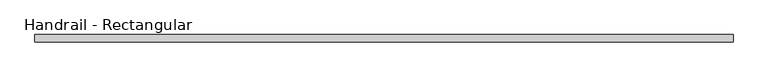
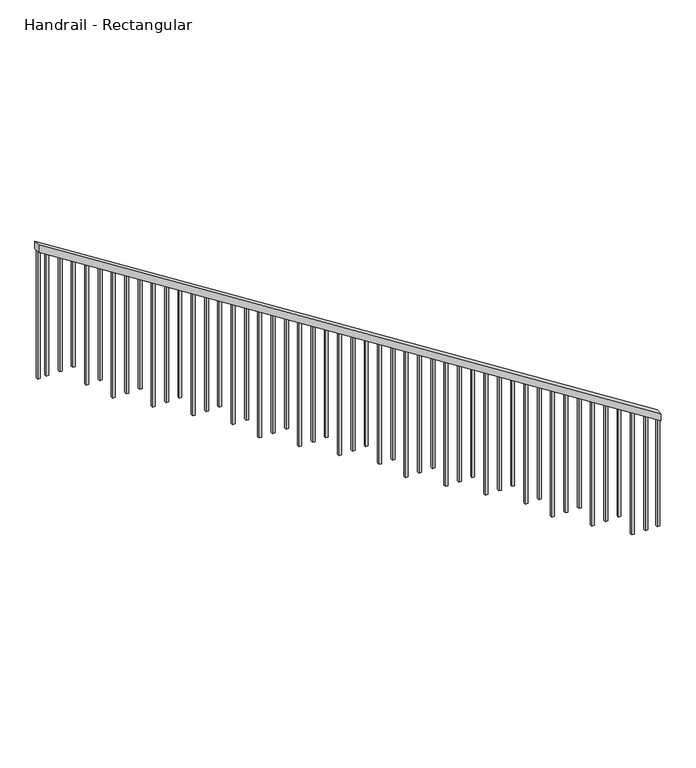
"""IFC4 building model written with IfcOpenShell, lengths in millimetres: railing geometry, Handrail - Rectangular."""

from ifc_helpers import new_model, si_unit, frame, origin, place, context, project, spatial, polyline, outline, extrude, source, transform, mapped, element, save


def handrail_rectangular_e43a0a2b(model_context):
    return source(origin(), model_context, "Body", "SweptSolid", [
        extrude(outline(polyline([(1031.986276, 1914.8580564), (1092.2, 1914.8580564), (4114.8, -2834.9419436), (4054.586276, -2834.9419436), (1031.986276, 1914.8580564)])), frame((0.0, -5078.3991522, 0.0), z_axis=(0.0, 1.0, 0.0), x_axis=(0.0, 0.0, 1.0)), (0.0, 0.0, 1.0), 50.8),
        extrude(outline(polyline([(4012.1567305, -2768.2669436), (3022.6, -2768.2669436), (3022.6, -2749.2169436), (4000.0340032, -2749.2169436), (4012.1567305, -2768.2669436)])), frame((0.0, -5062.5241522, 0.0), z_axis=(0.0, 1.0, 0.0), x_axis=(0.0, 0.0, 1.0)), (0.0, 0.0, 1.0), 19.05),
        extrude(outline(polyline([(3947.5021851, -2666.6669436), (3022.6, -2666.6669436), (3022.6, -2647.6169436), (3935.3794578, -2647.6169436), (3947.5021851, -2666.6669436)])), frame((0.0, -5062.5241522, 0.0), z_axis=(0.0, 1.0, 0.0), x_axis=(0.0, 0.0, 1.0)), (0.0, 0.0, 1.0), 19.05),
        extrude(outline(polyline([(3882.8476396, -2565.0669436), (3022.6, -2565.0669436), (3022.6, -2546.0169436), (3870.7249123, -2546.0169436), (3882.8476396, -2565.0669436)])), frame((0.0, -5062.5241522, 0.0), z_axis=(0.0, 1.0, 0.0), x_axis=(0.0, 0.0, 1.0)), (0.0, 0.0, 1.0), 19.05),
        extrude(outline(polyline([(3818.1930941, -2463.4669436), (2844.8, -2463.4669436), (2844.8, -2444.4169436), (3806.0703669, -2444.4169436), (3818.1930941, -2463.4669436)])), frame((0.0, -5062.5241522, 0.0), z_axis=(0.0, 1.0, 0.0), x_axis=(0.0, 0.0, 1.0)), (0.0, 0.0, 1.0), 19.05),
        extrude(outline(polyline([(3753.5385487, -2361.8669436), (2844.8, -2361.8669436), (2844.8, -2342.8169436), (3741.4158214, -2342.8169436), (3753.5385487, -2361.8669436)])), frame((0.0, -5062.5241522, 0.0), z_axis=(0.0, 1.0, 0.0), x_axis=(0.0, 0.0, 1.0)), (0.0, 0.0, 1.0), 19.05),
        extrude(outline(polyline([(3688.8840032, -2260.2669436), (2667.0, -2260.2669436), (2667.0, -2241.2169436), (3676.761276, -2241.2169436), (3688.8840032, -2260.2669436)])), frame((0.0, -5062.5241522, 0.0), z_axis=(0.0, 1.0, 0.0), x_axis=(0.0, 0.0, 1.0)), (0.0, 0.0, 1.0), 19.05),
        extrude(outline(polyline([(3624.2294578, -2158.6669436), (2667.0, -2158.6669436), (2667.0, -2139.6169436), (3612.1067305, -2139.6169436), (3624.2294578, -2158.6669436)])), frame((0.0, -5062.5241522, 0.0), z_axis=(0.0, 1.0, 0.0), x_axis=(0.0, 0.0, 1.0)), (0.0, 0.0, 1.0), 19.05),
        extrude(outline(polyline([(3559.5749123, -2057.0669436), (2667.0, -2057.0669436), (2667.0, -2038.0169436), (3547.4521851, -2038.0169436), (3559.5749123, -2057.0669436)])), frame((0.0, -5062.5241522, 0.0), z_axis=(0.0, 1.0, 0.0), x_axis=(0.0, 0.0, 1.0)), (0.0, 0.0, 1.0), 19.05),
        extrude(outline(polyline([(3494.9203669, -1955.4669436), (2489.2, -1955.4669436), (2489.2, -1936.4169436), (3482.7976396, -1936.4169436), (3494.9203669, -1955.4669436)])), frame((0.0, -5062.5241522, 0.0), z_axis=(0.0, 1.0, 0.0), x_axis=(0.0, 0.0, 1.0)), (0.0, 0.0, 1.0), 19.05),
        extrude(outline(polyline([(3430.2658214, -1853.8669436), (2489.2, -1853.8669436), (2489.2, -1834.8169436), (3418.1430941, -1834.8169436), (3430.2658214, -1853.8669436)])), frame((0.0, -5062.5241522, 0.0), z_axis=(0.0, 1.0, 0.0), x_axis=(0.0, 0.0, 1.0)), (0.0, 0.0, 1.0), 19.05),
        extrude(outline(polyline([(3365.611276, -1752.2669436), (2489.2, -1752.2669436), (2489.2, -1733.2169436), (3353.4885487, -1733.2169436), (3365.611276, -1752.2669436)])), frame((0.0, -5062.5241522, 0.0), z_axis=(0.0, 1.0, 0.0), x_axis=(0.0, 0.0, 1.0)), (0.0, 0.0, 1.0), 19.05),
        extrude(outline(polyline([(3300.9567305, -1650.6669436), (2311.4, -1650.6669436), (2311.4, -1631.6169436), (3288.8340032, -1631.6169436), (3300.9567305, -1650.6669436)])), frame((0.0, -5062.5241522, 0.0), z_axis=(0.0, 1.0, 0.0), x_axis=(0.0, 0.0, 1.0)), (0.0, 0.0, 1.0), 19.05),
        extrude(outline(polyline([(3236.3021851, -1549.0669436), (2311.4, -1549.0669436), (2311.4, -1530.0169436), (3224.1794578, -1530.0169436), (3236.3021851, -1549.0669436)])), frame((0.0, -5062.5241522, 0.0), z_axis=(0.0, 1.0, 0.0), x_axis=(0.0, 0.0, 1.0)), (0.0, 0.0, 1.0), 19.05),
        extrude(outline(polyline([(3171.6476396, -1447.4669436), (2311.4, -1447.4669436), (2311.4, -1428.4169436), (3159.5249123, -1428.4169436), (3171.6476396, -1447.4669436)])), frame((0.0, -5062.5241522, 0.0), z_axis=(0.0, 1.0, 0.0), x_axis=(0.0, 0.0, 1.0)), (0.0, 0.0, 1.0), 19.05),
        extrude(outline(polyline([(3106.9930941, -1345.8669436), (2133.6, -1345.8669436), (2133.6, -1326.8169436), (3094.8703669, -1326.8169436), (3106.9930941, -1345.8669436)])), frame((0.0, -5062.5241522, 0.0), z_axis=(0.0, 1.0, 0.0), x_axis=(0.0, 0.0, 1.0)), (0.0, 0.0, 1.0), 19.05),
        extrude(outline(polyline([(3042.3385487, -1244.2669436), (2133.6, -1244.2669436), (2133.6, -1225.2169436), (3030.2158214, -1225.2169436), (3042.3385487, -1244.2669436)])), frame((0.0, -5062.5241522, 0.0), z_axis=(0.0, 1.0, 0.0), x_axis=(0.0, 0.0, 1.0)), (0.0, 0.0, 1.0), 19.05),
        extrude(outline(polyline([(2977.6840032, -1142.6669436), (1955.8, -1142.6669436), (1955.8, -1123.6169436), (2965.561276, -1123.6169436), (2977.6840032, -1142.6669436)])), frame((0.0, -5062.5241522, 0.0), z_axis=(0.0, 1.0, 0.0), x_axis=(0.0, 0.0, 1.0)), (0.0, 0.0, 1.0), 19.05),
        extrude(outline(polyline([(2913.0294578, -1041.0669436), (1955.8, -1041.0669436), (1955.8, -1022.0169436), (2900.9067305, -1022.0169436), (2913.0294578, -1041.0669436)])), frame((0.0, -5062.5241522, 0.0), z_axis=(0.0, 1.0, 0.0), x_axis=(0.0, 0.0, 1.0)), (0.0, 0.0, 1.0), 19.05),
        extrude(outline(polyline([(2848.3749123, -939.4669436), (1955.8, -939.4669436), (1955.8, -920.4169436), (2836.2521851, -920.4169436), (2848.3749123, -939.4669436)])), frame((0.0, -5062.5241522, 0.0), z_axis=(0.0, 1.0, 0.0), x_axis=(0.0, 0.0, 1.0)), (0.0, 0.0, 1.0), 19.05),
        extrude(outline(polyline([(2783.7203669, -837.8669436), (1778.0, -837.8669436), (1778.0, -818.8169436), (2771.5976396, -818.8169436), (2783.7203669, -837.8669436)])), frame((0.0, -5062.5241522, 0.0), z_axis=(0.0, 1.0, 0.0), x_axis=(0.0, 0.0, 1.0)), (0.0, 0.0, 1.0), 19.05),
        extrude(outline(polyline([(2719.0658214, -736.2669436), (1778.0, -736.2669436), (1778.0, -717.2169436), (2706.9430941, -717.2169436), (2719.0658214, -736.2669436)])), frame((0.0, -5062.5241522, 0.0), z_axis=(0.0, 1.0, 0.0), x_axis=(0.0, 0.0, 1.0)), (0.0, 0.0, 1.0), 19.05),
        extrude(outline(polyline([(2654.411276, -634.6669436), (1778.0, -634.6669436), (1778.0, -615.6169436), (2642.2885487, -615.6169436), (2654.411276, -634.6669436)])), frame((0.0, -5062.5241522, 0.0), z_axis=(0.0, 1.0, 0.0), x_axis=(0.0, 0.0, 1.0)), (0.0, 0.0, 1.0), 19.05),
        extrude(outline(polyline([(2589.7567305, -533.0669436), (1600.2, -533.0669436), (1600.2, -514.0169436), (2577.6340032, -514.0169436), (2589.7567305, -533.0669436)])), frame((0.0, -5062.5241522, 0.0), z_axis=(0.0, 1.0, 0.0), x_axis=(0.0, 0.0, 1.0)), (0.0, 0.0, 1.0), 19.05),
        extrude(outline(polyline([(2525.1021851, -431.4669436), (1600.2, -431.4669436), (1600.2, -412.4169436), (2512.9794578, -412.4169436), (2525.1021851, -431.4669436)])), frame((0.0, -5062.5241522, 0.0), z_axis=(0.0, 1.0, 0.0), x_axis=(0.0, 0.0, 1.0)), (0.0, 0.0, 1.0), 19.05),
        extrude(outline(polyline([(2460.4476396, -329.8669436), (1600.2, -329.8669436), (1600.2, -310.8169436), (2448.3249123, -310.8169436), (2460.4476396, -329.8669436)])), frame((0.0, -5062.5241522, 0.0), z_axis=(0.0, 1.0, 0.0), x_axis=(0.0, 0.0, 1.0)), (0.0, 0.0, 1.0), 19.05),
        extrude(outline(polyline([(2395.7930941, -228.2669436), (1422.4, -228.2669436), (1422.4, -209.2169436), (2383.6703669, -209.2169436), (2395.7930941, -228.2669436)])), frame((0.0, -5062.5241522, 0.0), z_axis=(0.0, 1.0, 0.0), x_axis=(0.0, 0.0, 1.0)), (0.0, 0.0, 1.0), 19.05),
        extrude(outline(polyline([(2331.1385487, -126.6669436), (1422.4, -126.6669436), (1422.4, -107.6169436), (2319.0158214, -107.6169436), (2331.1385487, -126.6669436)])), frame((0.0, -5062.5241522, 0.0), z_axis=(0.0, 1.0, 0.0), x_axis=(0.0, 0.0, 1.0)), (0.0, 0.0, 1.0), 19.05),
        extrude(outline(polyline([(2266.4840032, -25.0669436), (1244.6, -25.0669436), (1244.6, -6.0169436), (2254.361276, -6.0169436), (2266.4840032, -25.0669436)])), frame((0.0, -5062.5241522, 0.0), z_axis=(0.0, 1.0, 0.0), x_axis=(0.0, 0.0, 1.0)), (0.0, 0.0, 1.0), 19.05),
        extrude(outline(polyline([(2201.8294578, 76.5330564), (1244.6, 76.5330564), (1244.6, 95.5830564), (2189.7067305, 95.5830564), (2201.8294578, 76.5330564)])), frame((0.0, -5062.5241522, 0.0), z_axis=(0.0, 1.0, 0.0), x_axis=(0.0, 0.0, 1.0)), (0.0, 0.0, 1.0), 19.05),
        extrude(outline(polyline([(2137.1749123, 178.1330564), (1244.6, 178.1330564), (1244.6, 197.1830564), (2125.0521851, 197.1830564), (2137.1749123, 178.1330564)])), frame((0.0, -5062.5241522, 0.0), z_axis=(0.0, 1.0, 0.0), x_axis=(0.0, 0.0, 1.0)), (0.0, 0.0, 1.0), 19.05),
        extrude(outline(polyline([(2072.5203669, 279.7330564), (1066.8, 279.7330564), (1066.8, 298.7830564), (2060.3976396, 298.7830564), (2072.5203669, 279.7330564)])), frame((0.0, -5062.5241522, 0.0), z_axis=(0.0, 1.0, 0.0), x_axis=(0.0, 0.0, 1.0)), (0.0, 0.0, 1.0), 19.05),
        extrude(outline(polyline([(2007.8658214, 381.3330564), (1066.8, 381.3330564), (1066.8, 400.3830564), (1995.7430941, 400.3830564), (2007.8658214, 381.3330564)])), frame((0.0, -5062.5241522, 0.0), z_axis=(0.0, 1.0, 0.0), x_axis=(0.0, 0.0, 1.0)), (0.0, 0.0, 1.0), 19.05),
        extrude(outline(polyline([(1943.211276, 482.9330564), (1066.8, 482.9330564), (1066.8, 501.9830564), (1931.0885487, 501.9830564), (1943.211276, 482.9330564)])), frame((0.0, -5062.5241522, 0.0), z_axis=(0.0, 1.0, 0.0), x_axis=(0.0, 0.0, 1.0)), (0.0, 0.0, 1.0), 19.05),
        extrude(outline(polyline([(1878.5567305, 584.5330564), (889.0, 584.5330564), (889.0, 603.5830564), (1866.4340032, 603.5830564), (1878.5567305, 584.5330564)])), frame((0.0, -5062.5241522, 0.0), z_axis=(0.0, 1.0, 0.0), x_axis=(0.0, 0.0, 1.0)), (0.0, 0.0, 1.0), 19.05),
        extrude(outline(polyline([(1813.9021851, 686.1330564), (889.0, 686.1330564), (889.0, 705.1830564), (1801.7794578, 705.1830564), (1813.9021851, 686.1330564)])), frame((0.0, -5062.5241522, 0.0), z_axis=(0.0, 1.0, 0.0), x_axis=(0.0, 0.0, 1.0)), (0.0, 0.0, 1.0), 19.05),
        extrude(outline(polyline([(1749.2476396, 787.7330564), (889.0, 787.7330564), (889.0, 806.7830564), (1737.1249123, 806.7830564), (1749.2476396, 787.7330564)])), frame((0.0, -5062.5241522, 0.0), z_axis=(0.0, 1.0, 0.0), x_axis=(0.0, 0.0, 1.0)), (0.0, 0.0, 1.0), 19.05),
        extrude(outline(polyline([(1684.5930941, 889.3330564), (711.2, 889.3330564), (711.2, 908.3830564), (1672.4703669, 908.3830564), (1684.5930941, 889.3330564)])), frame((0.0, -5062.5241522, 0.0), z_axis=(0.0, 1.0, 0.0), x_axis=(0.0, 0.0, 1.0)), (0.0, 0.0, 1.0), 19.05),
        extrude(outline(polyline([(1619.9385487, 990.9330564), (711.2, 990.9330564), (711.2, 1009.9830564), (1607.8158214, 1009.9830564), (1619.9385487, 990.9330564)])), frame((0.0, -5062.5241522, 0.0), z_axis=(0.0, 1.0, 0.0), x_axis=(0.0, 0.0, 1.0)), (0.0, 0.0, 1.0), 19.05),
        extrude(outline(polyline([(1555.2840032, 1092.5330564), (533.4, 1092.5330564), (533.4, 1111.5830564), (1543.161276, 1111.5830564), (1555.2840032, 1092.5330564)])), frame((0.0, -5062.5241522, 0.0), z_axis=(0.0, 1.0, 0.0), x_axis=(0.0, 0.0, 1.0)), (0.0, 0.0, 1.0), 19.05),
        extrude(outline(polyline([(1490.6294578, 1194.1330564), (533.4, 1194.1330564), (533.4, 1213.1830564), (1478.5067305, 1213.1830564), (1490.6294578, 1194.1330564)])), frame((0.0, -5062.5241522, 0.0), z_axis=(0.0, 1.0, 0.0), x_axis=(0.0, 0.0, 1.0)), (0.0, 0.0, 1.0), 19.05),
        extrude(outline(polyline([(1425.9749123, 1295.7330564), (533.4, 1295.7330564), (533.4, 1314.7830564), (1413.8521851, 1314.7830564), (1425.9749123, 1295.7330564)])), frame((0.0, -5062.5241522, 0.0), z_axis=(0.0, 1.0, 0.0), x_axis=(0.0, 0.0, 1.0)), (0.0, 0.0, 1.0), 19.05),
        extrude(outline(polyline([(1361.3203669, 1397.3330564), (355.6, 1397.3330564), (355.6, 1416.3830564), (1349.1976396, 1416.3830564), (1361.3203669, 1397.3330564)])), frame((0.0, -5062.5241522, 0.0), z_axis=(0.0, 1.0, 0.0), x_axis=(0.0, 0.0, 1.0)), (0.0, 0.0, 1.0), 19.05),
        extrude(outline(polyline([(1296.6658214, 1498.9330564), (355.6, 1498.9330564), (355.6, 1517.9830564), (1284.5430941, 1517.9830564), (1296.6658214, 1498.9330564)])), frame((0.0, -5062.5241522, 0.0), z_axis=(0.0, 1.0, 0.0), x_axis=(0.0, 0.0, 1.0)), (0.0, 0.0, 1.0), 19.05),
        extrude(outline(polyline([(1232.011276, 1600.5330564), (355.6, 1600.5330564), (355.6, 1619.5830564), (1219.8885487, 1619.5830564), (1232.011276, 1600.5330564)])), frame((0.0, -5062.5241522, 0.0), z_axis=(0.0, 1.0, 0.0), x_axis=(0.0, 0.0, 1.0)), (0.0, 0.0, 1.0), 19.05),
        extrude(outline(polyline([(1167.3567305, 1702.1330564), (177.8, 1702.1330564), (177.8, 1721.1830564), (1155.2340032, 1721.1830564), (1167.3567305, 1702.1330564)])), frame((0.0, -5062.5241522, 0.0), z_axis=(0.0, 1.0, 0.0), x_axis=(0.0, 0.0, 1.0)), (0.0, 0.0, 1.0), 19.05),
        extrude(outline(polyline([(1102.7021851, 1803.7330564), (177.8, 1803.7330564), (177.8, 1822.7830564), (1090.5794578, 1822.7830564), (1102.7021851, 1803.7330564)])), frame((0.0, -5062.5241522, 0.0), z_axis=(0.0, 1.0, 0.0), x_axis=(0.0, 0.0, 1.0)), (0.0, 0.0, 1.0), 19.05),
        extrude(outline(polyline([(4054.586276, -2834.9419436), (3022.6, -2834.9419436), (3022.6, -2815.8919436), (4042.4635487, -2815.8919436), (4054.586276, -2834.9419436)])), frame((0.0, -5062.5241522, 0.0), z_axis=(0.0, 1.0, 0.0), x_axis=(0.0, 0.0, 1.0)), (0.0, 0.0, 1.0), 19.05),
        extrude(outline(polyline([(1044.1090032, 1895.8080564), (177.8, 1895.8080564), (177.8, 1914.8580564), (1031.986276, 1914.8580564), (1044.1090032, 1895.8080564)])), frame((0.0, -5062.5241522, 0.0), z_axis=(0.0, 1.0, 0.0), x_axis=(0.0, 0.0, 1.0)), (0.0, 0.0, 1.0), 19.05),
    ])


if __name__ == "__main__":
    model = new_model("IFC4")
    model_context = context("Model", 3, world=origin())
    ifc_project = project(units=[si_unit("LENGTHUNIT", "METRE", prefix="MILLI")], contexts=[model_context])
    site = spatial("IfcSite", under=ifc_project)
    building = spatial("IfcBuilding", under=site)
    placement = place(None, origin())
    handrail_rectangular_shape = handrail_rectangular_e43a0a2b(model_context)
    element("IfcRailing", 1, ObjectType="Handrail - Rectangular", at=placement, inside=building, context=model_context, shape_type="MappedRepresentation", body=[
        mapped(handrail_rectangular_shape, transform((0.0, 0.0, 0.0), x_axis=(1.0, 0.0, 0.0), y_axis=(0.0, 1.0, 0.0), z_axis=(0.0, 0.0, 1.0))),
    ])
    save(model, "model.ifc")
